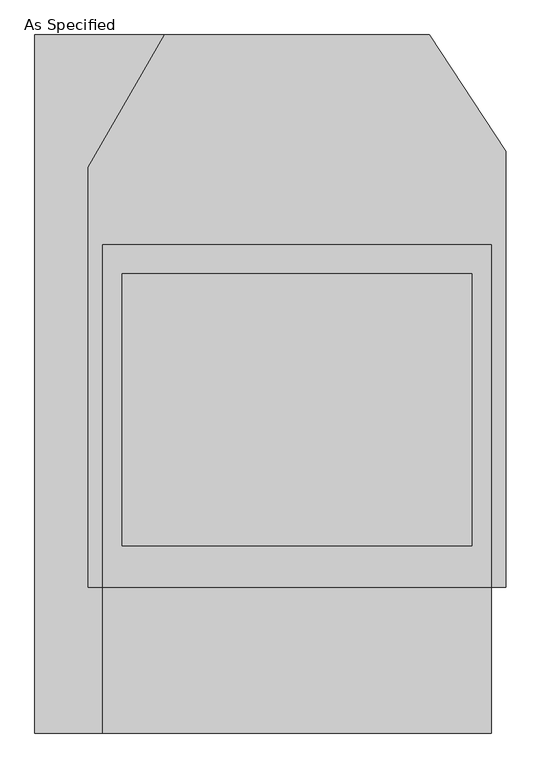
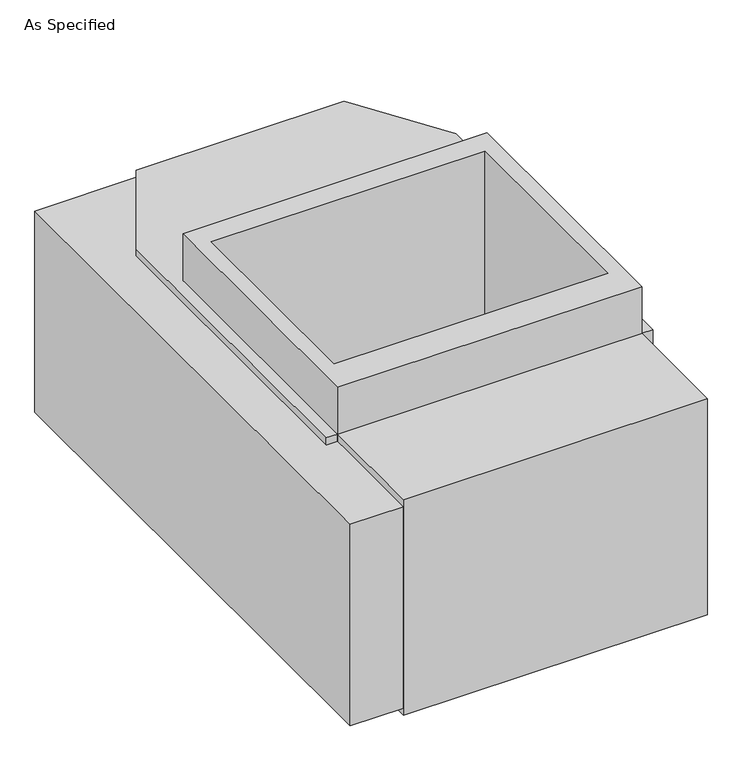
"""IFC4 building model written with IfcOpenShell, lengths in millimetres: proxy geometry, As Specified."""

from ifc_helpers import new_model, si_unit, frame, origin, place, context, project, spatial, polyline, outline, extrude, faceted_brep, source, transform, mapped, element, save


def as_specified_4b152f85(model_context):
    return source(origin(), model_context, "Body", "SolidModel", [
        extrude(outline(polyline([(-508.0, -912.5148438), (-685.8, -912.5148438), (-685.8, 912.5148437), (-346.660123, 912.5148437), (-546.1, 567.0748437), (-546.1, -531.5148438), (-508.0, -531.5148438), (-508.0, -912.5148438)])), frame((0.0, 0.0, -762.0), z_axis=(0.0, 0.0, 1.0), x_axis=(1.0, 0.0, 0.0)), (0.0, 0.0, 1.0), 711.2),
        extrude(outline(polyline([(508.0, 363.8351562), (508.0, -531.5148438), (-508.0, -531.5148438), (-508.0, 363.8351562), (508.0, 363.8351562)]), holes=[polyline([(-457.2, 287.6748437), (-457.2, -423.5251563), (457.2, -423.5251563), (457.2, 287.6748437), (-457.2, 287.6748437)])]), frame((0.0, 0.0, -762.0), z_axis=(0.0, 0.0, 1.0), x_axis=(1.0, 0.0, 0.0)), (0.0, 0.0, 1.0), 901.7),
        faceted_brep([(508.0, -912.5148438, -787.4), (-508.0, -912.5148438, -787.4), (-508.0, -531.5148438, -787.4), (-546.1, -531.5148438, -787.4), (-546.1, 567.0748437, -787.4), (-346.660123, 912.5148437, -787.4), (346.660123, 912.5148437, -787.4), (546.1, 608.0233299, -787.4), (546.1, -531.5148438, -787.4), (508.0, -531.5148438, -787.4), (508.0, -912.5148438, -25.4), (508.0, -531.5148438, -25.4), (546.1, -531.5148438, -25.4), (546.1, 608.0233299, -25.4), (346.660123, 912.5148437, -25.4), (-346.660123, 912.5148437, -25.4), (-546.1, 567.0748437, -25.4), (-546.1, -531.5148438, -25.4), (-508.0, -531.5148438, -25.4), (-508.0, -912.5148438, -25.4), (457.2, 287.6748437, -25.4), (457.2, -423.5251563, -25.4), (-457.2, -423.5251563, -25.4), (-457.2, 287.6748437, -25.4), (457.2, 287.6748437, -762.0), (-457.2, 287.6748437, -762.0), (-457.2, -423.5251563, -762.0), (457.2, -423.5251563, -762.0)], [[[0, 1, 2, 3, 4, 5, 6, 7, 8, 9]], [[10, 11, 12, 13, 14, 15, 16, 17, 18, 19], [20, 21, 22, 23]], [[6, 5, 15, 14]], [[3, 17, 16, 4]], [[17, 3, 2, 18]], [[8, 12, 11, 9]], [[12, 8, 7, 13]], [[0, 9, 11, 10]], [[2, 1, 19, 18]], [[1, 0, 10, 19]], [[5, 4, 16, 15]], [[7, 6, 14, 13]], [[24, 25, 26, 27]], [[24, 27, 21, 20]], [[27, 26, 22, 21]], [[26, 25, 23, 22]], [[25, 24, 20, 23]]]),
    ])


if __name__ == "__main__":
    model = new_model("IFC4")
    model_context = context("Model", 3, world=origin())
    ifc_project = project(units=[si_unit("LENGTHUNIT", "METRE", prefix="MILLI")], contexts=[model_context])
    site = spatial("IfcSite", under=ifc_project)
    building = spatial("IfcBuilding", under=site)
    placement = place(None, origin())
    as_specified_shape = as_specified_4b152f85(model_context)
    element("IfcBuildingElementProxy", 1, Name="As Specified", ObjectType="As Specified", at=placement, inside=building, context=model_context, shape_type="MappedRepresentation", body=[
        mapped(as_specified_shape, transform((0.0, 0.0, 0.0), x_axis=(1.0, 0.0, 0.0), y_axis=(0.0, 1.0, 0.0), z_axis=(0.0, 0.0, 1.0))),
    ])
    save(model, "model.ifc")
